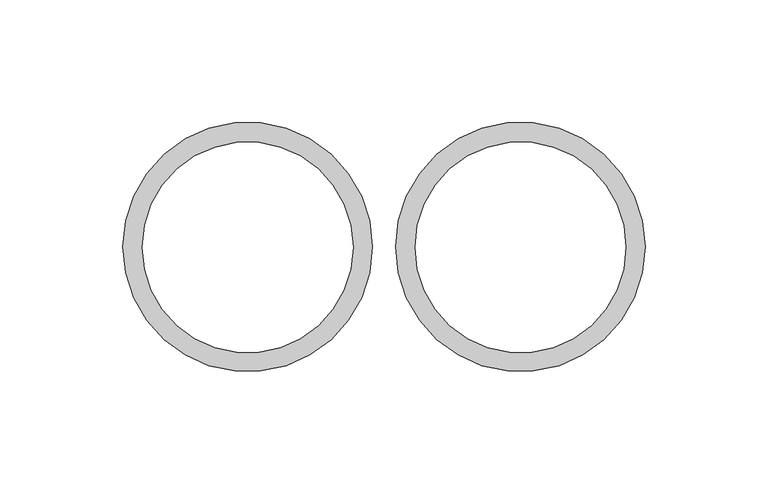
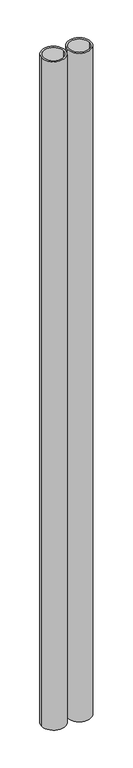
"""IFC4 building model written with IfcOpenShell, lengths in millimetres: proxy geometry."""

from ifc_helpers import new_model, si_unit, point, frame_2d, origin, origin_with_axes, place, context, project, spatial, circle_curve, trimmed, segment, composite_curve, outline, extrude, source, transform, mapped, element, save


def generic_models_ba50ca86(model_context):
    return source(origin(), model_context, "Body", "SweptSolid", [
        extrude(outline(composite_curve([segment(trimmed(circle_curve(frame_2d((1957.3601883, -1654.867171)), 50.8), [point((1906.5601883, -1654.867171))], [point((2008.1601883, -1654.867171))], False, "CARTESIAN"), True, "CONTINUOUS"), segment(trimmed(circle_curve(frame_2d((1957.3601883, -1654.867171)), 50.8), [point((2008.1601883, -1654.867171))], [point((1906.5601883, -1654.867171))], False, "CARTESIAN"), True, "CONTINUOUS")], self_intersect=False), holes=[composite_curve([segment(trimmed(circle_curve(frame_2d((1957.3909347, -1655.0335212)), 42.926994), [point((1914.4639408, -1655.0335212))], [point((2000.3179287, -1655.0335212))], True, "CARTESIAN"), True, "CONTINUOUS"), segment(trimmed(circle_curve(frame_2d((1957.3909347, -1655.0335212)), 42.926994), [point((2000.3179287, -1655.0335212))], [point((1914.4639408, -1655.0335212))], True, "CARTESIAN"), True, "CONTINUOUS")], self_intersect=False)]), origin_with_axes(), (0.0, 0.0, 1.0), 3048.0),
        extrude(outline(composite_curve([segment(trimmed(circle_curve(frame_2d((2068.4851883, -1654.867171)), 50.8), [point((2017.6851883, -1654.867171))], [point((2119.2851883, -1654.867171))], False, "CARTESIAN"), True, "CONTINUOUS"), segment(trimmed(circle_curve(frame_2d((2068.4851883, -1654.867171)), 50.8), [point((2119.2851883, -1654.867171))], [point((2017.6851883, -1654.867171))], False, "CARTESIAN"), True, "CONTINUOUS")], self_intersect=False), holes=[composite_curve([segment(trimmed(circle_curve(frame_2d((2068.5159347, -1655.0335212)), 42.926994), [point((2025.5889408, -1655.0335212))], [point((2111.4429287, -1655.0335212))], True, "CARTESIAN"), True, "CONTINUOUS"), segment(trimmed(circle_curve(frame_2d((2068.5159347, -1655.0335212)), 42.926994), [point((2111.4429287, -1655.0335212))], [point((2025.5889408, -1655.0335212))], True, "CARTESIAN"), True, "CONTINUOUS")], self_intersect=False)]), origin_with_axes(), (0.0, 0.0, 1.0), 3048.0),
    ])


if __name__ == "__main__":
    model = new_model("IFC4")
    model_context = context("Model", 3, world=origin())
    ifc_project = project(units=[si_unit("LENGTHUNIT", "METRE", prefix="MILLI")], contexts=[model_context])
    site = spatial("IfcSite", under=ifc_project)
    building = spatial("IfcBuilding", under=site)
    placement = place(None, origin())
    generic_models_shape = generic_models_ba50ca86(model_context)
    element("IfcBuildingElementProxy", 1, Name="Generic Models", at=placement, inside=building, context=model_context, shape_type="MappedRepresentation", body=[
        mapped(generic_models_shape, transform((0.0, 0.0, 0.0), x_axis=(1.0, 0.0, 0.0), y_axis=(0.0, 1.0, 0.0), z_axis=(0.0, 0.0, 1.0))),
    ])
    save(model, "model.ifc")
